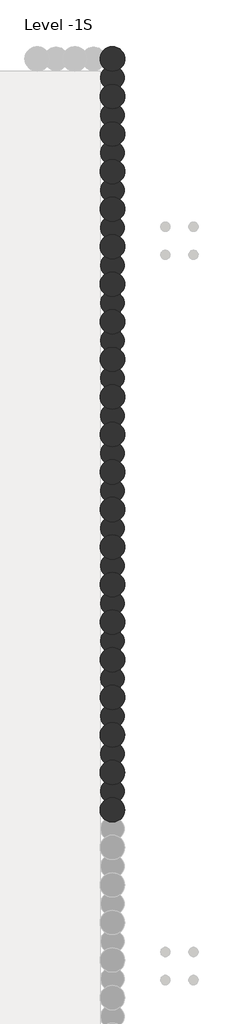
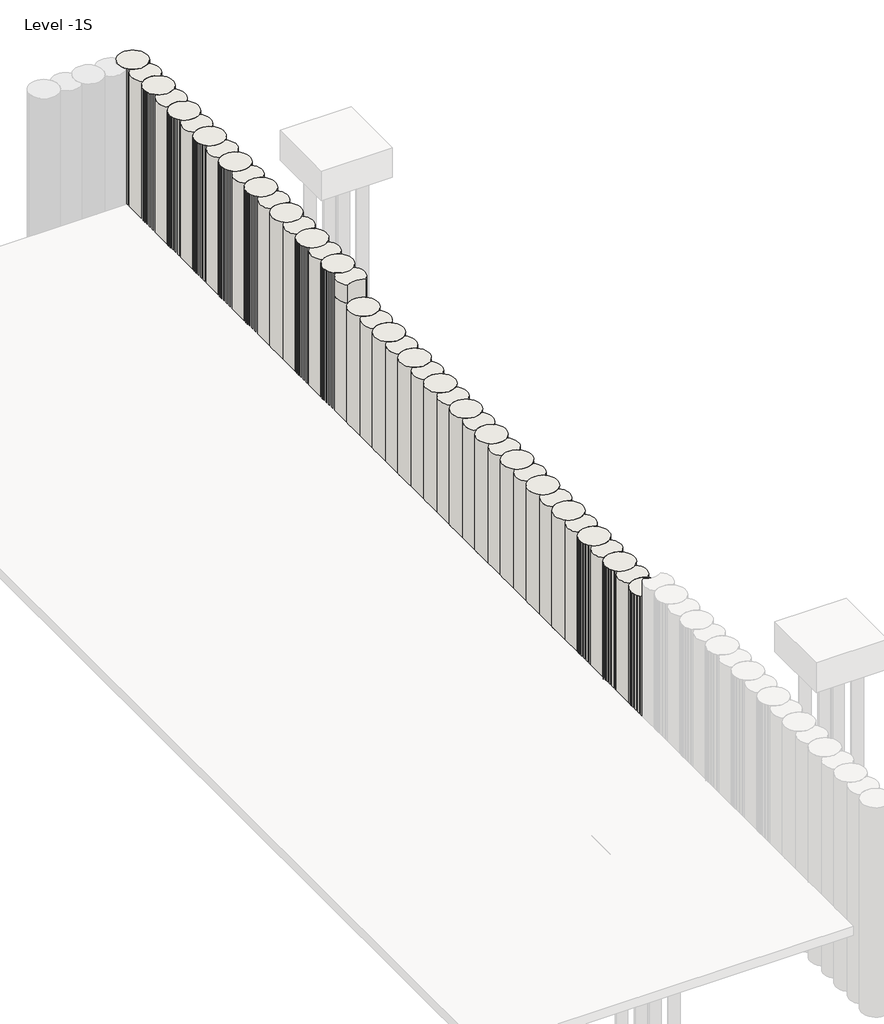
# One storey, part 3 of 5: 2 walls.
"""IFC4 building model written with IfcOpenShell, lengths in millimetres."""

from ifc_helpers import new_model, si_unit, point, frame, frame_2d, origin, place, context, project, spatial, circle_curve, trimmed, segment, composite_curve, outline, extrude, element, save

model = new_model("IFC4")

# Units and contexts
model_context = context("Model", 3, world=origin())
ifc_project = project(units=[si_unit("LENGTHUNIT", "METRE", prefix="MILLI")], contexts=[model_context])

# Site, building, storey
site = spatial("IfcSite", under=ifc_project)
building = spatial("IfcBuilding", under=site)
storey = spatial("IfcBuildingStorey", under=building, Name="Level -1S", Elevation=-5100.0)

# Walls
placement = place(None, origin())
element("IfcWall", 1, ObjectType="Walls 6 : Walls 2", at=placement, inside=storey, context=model_context, shape_type="SweptSolid", body=[
    extrude(outline(composite_curve([segment(trimmed(circle_curve(frame_2d((12610.42816, 28339.7751014)), 460.0), [point((12610.42816, 27879.7751014))], [point((12610.42816, 28799.7751014))], False, "CARTESIAN"), True, "CONTINUOUS"), segment(trimmed(circle_curve(frame_2d((12610.42816, 28339.7751014)), 460.0), [point((12610.42816, 28799.7751014))], [point((12610.42816, 27879.7751014))], False, "CARTESIAN"), True, "CONTINUOUS")], self_intersect=False)), frame((0.0, 0.0, -7600.0), z_axis=(0.0, 0.0, 1.0), x_axis=(1.0, 0.0, 0.0)), (0.0, 0.0, 1.0), 6300.0),
    extrude(outline(composite_curve([segment(trimmed(circle_curve(frame_2d((12610.42816, 29041.7751014)), 440.0), [point((12328.9416871, 28703.5956142))], [point((12328.9416871, 29379.9545885))], False, "CARTESIAN"), True, "CONTINUOUS"), segment(trimmed(circle_curve(frame_2d((12610.42816, 29743.7751014)), 460.0), [point((12328.9416871, 29379.9545885))], [point((12891.914633, 29379.9545885))], True, "CARTESIAN"), True, "CONTINUOUS"), segment(trimmed(circle_curve(frame_2d((12610.42816, 29041.7751014)), 440.0), [point((12891.914633, 29379.9545885))], [point((12891.914633, 28703.5956142))], False, "CARTESIAN"), True, "CONTINUOUS"), segment(trimmed(circle_curve(frame_2d((12610.42816, 28339.7751014)), 460.0), [point((12891.914633, 28703.5956142))], [point((12610.42816, 28799.7751014))], True, "CARTESIAN"), True, "CONTINUOUS"), segment(trimmed(circle_curve(frame_2d((12610.42816, 28339.7751014)), 460.0), [point((12610.42816, 28799.7751014))], [point((12328.9416871, 28703.5956142))], True, "CARTESIAN"), True, "CONTINUOUS")], self_intersect=False)), frame((0.0, 0.0, -7600.0), z_axis=(0.0, 0.0, 1.0), x_axis=(1.0, 0.0, 0.0)), (0.0, 0.0, 1.0), 6300.0),
    extrude(outline(composite_curve([segment(trimmed(circle_curve(frame_2d((12610.42816, 26935.7751014)), 460.0), [point((12610.42816, 26475.7751014))], [point((12610.42816, 27395.7751014))], False, "CARTESIAN"), True, "CONTINUOUS"), segment(trimmed(circle_curve(frame_2d((12610.42816, 26935.7751014)), 460.0), [point((12610.42816, 27395.7751014))], [point((12610.42816, 26475.7751014))], False, "CARTESIAN"), True, "CONTINUOUS")], self_intersect=False)), frame((0.0, 0.0, -7600.0), z_axis=(0.0, 0.0, 1.0), x_axis=(1.0, 0.0, 0.0)), (0.0, 0.0, 1.0), 6300.0),
    extrude(outline(composite_curve([segment(trimmed(circle_curve(frame_2d((12610.42816, 27637.7751014)), 440.0), [point((12328.9416871, 27299.5956142))], [point((12328.9416871, 27975.9545885))], False, "CARTESIAN"), True, "CONTINUOUS"), segment(trimmed(circle_curve(frame_2d((12610.42816, 28339.7751014)), 460.0), [point((12328.9416871, 27975.9545885))], [point((12891.914633, 27975.9545885))], True, "CARTESIAN"), True, "CONTINUOUS"), segment(trimmed(circle_curve(frame_2d((12610.42816, 27637.7751014)), 440.0), [point((12891.914633, 27975.9545885))], [point((12891.914633, 27299.5956142))], False, "CARTESIAN"), True, "CONTINUOUS"), segment(trimmed(circle_curve(frame_2d((12610.42816, 26935.7751014)), 460.0), [point((12891.914633, 27299.5956142))], [point((12610.42816, 27395.7751014))], True, "CARTESIAN"), True, "CONTINUOUS"), segment(trimmed(circle_curve(frame_2d((12610.42816, 26935.7751014)), 460.0), [point((12610.42816, 27395.7751014))], [point((12328.9416871, 27299.5956142))], True, "CARTESIAN"), True, "CONTINUOUS")], self_intersect=False)), frame((0.0, 0.0, -7600.0), z_axis=(0.0, 0.0, 1.0), x_axis=(1.0, 0.0, 0.0)), (0.0, 0.0, 1.0), 6300.0),
    extrude(outline(composite_curve([segment(trimmed(circle_curve(frame_2d((12610.42816, 25531.7751014)), 460.0), [point((12610.42816, 25071.7751014))], [point((12610.42816, 25991.7751014))], False, "CARTESIAN"), True, "CONTINUOUS"), segment(trimmed(circle_curve(frame_2d((12610.42816, 25531.7751014)), 460.0), [point((12610.42816, 25991.7751014))], [point((12610.42816, 25071.7751014))], False, "CARTESIAN"), True, "CONTINUOUS")], self_intersect=False)), frame((0.0, 0.0, -7600.0), z_axis=(0.0, 0.0, 1.0), x_axis=(1.0, 0.0, 0.0)), (0.0, 0.0, 1.0), 6300.0),
    extrude(outline(composite_curve([segment(trimmed(circle_curve(frame_2d((12610.42816, 26233.7751014)), 440.0), [point((12328.9416871, 25895.5956142))], [point((12328.9416871, 26571.9545885))], False, "CARTESIAN"), True, "CONTINUOUS"), segment(trimmed(circle_curve(frame_2d((12610.42816, 26935.7751014)), 460.0), [point((12328.9416871, 26571.9545885))], [point((12891.914633, 26571.9545885))], True, "CARTESIAN"), True, "CONTINUOUS"), segment(trimmed(circle_curve(frame_2d((12610.42816, 26233.7751014)), 440.0), [point((12891.914633, 26571.9545885))], [point((12891.914633, 25895.5956142))], False, "CARTESIAN"), True, "CONTINUOUS"), segment(trimmed(circle_curve(frame_2d((12610.42816, 25531.7751014)), 460.0), [point((12891.914633, 25895.5956142))], [point((12610.42816, 25991.7751014))], True, "CARTESIAN"), True, "CONTINUOUS"), segment(trimmed(circle_curve(frame_2d((12610.42816, 25531.7751014)), 460.0), [point((12610.42816, 25991.7751014))], [point((12328.9416871, 25895.5956142))], True, "CARTESIAN"), True, "CONTINUOUS")], self_intersect=False)), frame((0.0, 0.0, -7600.0), z_axis=(0.0, 0.0, 1.0), x_axis=(1.0, 0.0, 0.0)), (0.0, 0.0, 1.0), 6300.0),
    extrude(outline(composite_curve([segment(trimmed(circle_curve(frame_2d((12610.42816, 24127.7751014)), 460.0), [point((12610.42816, 23667.7751014))], [point((12610.42816, 24587.7751014))], False, "CARTESIAN"), True, "CONTINUOUS"), segment(trimmed(circle_curve(frame_2d((12610.42816, 24127.7751014)), 460.0), [point((12610.42816, 24587.7751014))], [point((12610.42816, 23667.7751014))], False, "CARTESIAN"), True, "CONTINUOUS")], self_intersect=False)), frame((0.0, 0.0, -7600.0), z_axis=(0.0, 0.0, 1.0), x_axis=(1.0, 0.0, 0.0)), (0.0, 0.0, 1.0), 6300.0),
    extrude(outline(composite_curve([segment(trimmed(circle_curve(frame_2d((12610.42816, 24829.7751014)), 440.0), [point((12328.9416871, 24491.5956142))], [point((12328.9416871, 25167.9545885))], False, "CARTESIAN"), True, "CONTINUOUS"), segment(trimmed(circle_curve(frame_2d((12610.42816, 25531.7751014)), 460.0), [point((12328.9416871, 25167.9545885))], [point((12891.914633, 25167.9545885))], True, "CARTESIAN"), True, "CONTINUOUS"), segment(trimmed(circle_curve(frame_2d((12610.42816, 24829.7751014)), 440.0), [point((12891.914633, 25167.9545885))], [point((12891.914633, 24491.5956142))], False, "CARTESIAN"), True, "CONTINUOUS"), segment(trimmed(circle_curve(frame_2d((12610.42816, 24127.7751014)), 460.0), [point((12891.914633, 24491.5956142))], [point((12610.42816, 24587.7751014))], True, "CARTESIAN"), True, "CONTINUOUS"), segment(trimmed(circle_curve(frame_2d((12610.42816, 24127.7751014)), 460.0), [point((12610.42816, 24587.7751014))], [point((12328.9416871, 24491.5956142))], True, "CARTESIAN"), True, "CONTINUOUS")], self_intersect=False)), frame((0.0, 0.0, -7600.0), z_axis=(0.0, 0.0, 1.0), x_axis=(1.0, 0.0, 0.0)), (0.0, 0.0, 1.0), 6300.0),
    extrude(outline(composite_curve([segment(trimmed(circle_curve(frame_2d((12610.42816, 22723.7751014)), 460.0), [point((12610.42816, 22263.7751014))], [point((12610.42816, 23183.7751014))], False, "CARTESIAN"), True, "CONTINUOUS"), segment(trimmed(circle_curve(frame_2d((12610.42816, 22723.7751014)), 460.0), [point((12610.42816, 23183.7751014))], [point((12610.42816, 22263.7751014))], False, "CARTESIAN"), True, "CONTINUOUS")], self_intersect=False)), frame((0.0, 0.0, -7600.0), z_axis=(0.0, 0.0, 1.0), x_axis=(1.0, 0.0, 0.0)), (0.0, 0.0, 1.0), 6300.0),
    extrude(outline(composite_curve([segment(trimmed(circle_curve(frame_2d((12610.42816, 23425.7751014)), 440.0), [point((12328.9416871, 23087.5956142))], [point((12328.9416871, 23763.9545885))], False, "CARTESIAN"), True, "CONTINUOUS"), segment(trimmed(circle_curve(frame_2d((12610.42816, 24127.7751014)), 460.0), [point((12328.9416871, 23763.9545885))], [point((12891.914633, 23763.9545885))], True, "CARTESIAN"), True, "CONTINUOUS"), segment(trimmed(circle_curve(frame_2d((12610.42816, 23425.7751014)), 440.0), [point((12891.914633, 23763.9545885))], [point((12891.914633, 23087.5956142))], False, "CARTESIAN"), True, "CONTINUOUS"), segment(trimmed(circle_curve(frame_2d((12610.42816, 22723.7751014)), 460.0), [point((12891.914633, 23087.5956142))], [point((12610.42816, 23183.7751014))], True, "CARTESIAN"), True, "CONTINUOUS"), segment(trimmed(circle_curve(frame_2d((12610.42816, 22723.7751014)), 460.0), [point((12610.42816, 23183.7751014))], [point((12328.9416871, 23087.5956142))], True, "CARTESIAN"), True, "CONTINUOUS")], self_intersect=False)), frame((0.0, 0.0, -7600.0), z_axis=(0.0, 0.0, 1.0), x_axis=(1.0, 0.0, 0.0)), (0.0, 0.0, 1.0), 6300.0),
    extrude(outline(composite_curve([segment(trimmed(circle_curve(frame_2d((12610.42816, 21319.7751014)), 460.0), [point((12610.42816, 20859.7751014))], [point((12610.42816, 21779.7751014))], False, "CARTESIAN"), True, "CONTINUOUS"), segment(trimmed(circle_curve(frame_2d((12610.42816, 21319.7751014)), 460.0), [point((12610.42816, 21779.7751014))], [point((12610.42816, 20859.7751014))], False, "CARTESIAN"), True, "CONTINUOUS")], self_intersect=False)), frame((0.0, 0.0, -7600.0), z_axis=(0.0, 0.0, 1.0), x_axis=(1.0, 0.0, 0.0)), (0.0, 0.0, 1.0), 6300.0),
    extrude(outline(composite_curve([segment(trimmed(circle_curve(frame_2d((12610.42816, 22021.7751014)), 440.0), [point((12328.9416871, 21683.5956142))], [point((12328.9416871, 22359.9545885))], False, "CARTESIAN"), True, "CONTINUOUS"), segment(trimmed(circle_curve(frame_2d((12610.42816, 22723.7751014)), 460.0), [point((12328.9416871, 22359.9545885))], [point((12891.914633, 22359.9545885))], True, "CARTESIAN"), True, "CONTINUOUS"), segment(trimmed(circle_curve(frame_2d((12610.42816, 22021.7751014)), 440.0), [point((12891.914633, 22359.9545885))], [point((12891.914633, 21683.5956142))], False, "CARTESIAN"), True, "CONTINUOUS"), segment(trimmed(circle_curve(frame_2d((12610.42816, 21319.7751014)), 460.0), [point((12891.914633, 21683.5956142))], [point((12610.42816, 21779.7751014))], True, "CARTESIAN"), True, "CONTINUOUS"), segment(trimmed(circle_curve(frame_2d((12610.42816, 21319.7751014)), 460.0), [point((12610.42816, 21779.7751014))], [point((12328.9416871, 21683.5956142))], True, "CARTESIAN"), True, "CONTINUOUS")], self_intersect=False)), frame((0.0, 0.0, -7600.0), z_axis=(0.0, 0.0, 1.0), x_axis=(1.0, 0.0, 0.0)), (0.0, 0.0, 1.0), 6300.0),
    extrude(outline(composite_curve([segment(trimmed(circle_curve(frame_2d((12610.42816, 19915.7751014)), 460.0), [point((12610.42816, 19455.7751014))], [point((12610.42816, 20375.7751014))], False, "CARTESIAN"), True, "CONTINUOUS"), segment(trimmed(circle_curve(frame_2d((12610.42816, 19915.7751014)), 460.0), [point((12610.42816, 20375.7751014))], [point((12610.42816, 19455.7751014))], False, "CARTESIAN"), True, "CONTINUOUS")], self_intersect=False)), frame((0.0, 0.0, -7600.0), z_axis=(0.0, 0.0, 1.0), x_axis=(1.0, 0.0, 0.0)), (0.0, 0.0, 1.0), 6300.0),
    extrude(outline(composite_curve([segment(trimmed(circle_curve(frame_2d((12610.42816, 20617.7751014)), 440.0), [point((12328.9416871, 20279.5956142))], [point((12328.9416871, 20955.9545885))], False, "CARTESIAN"), True, "CONTINUOUS"), segment(trimmed(circle_curve(frame_2d((12610.42816, 21319.7751014)), 460.0), [point((12328.9416871, 20955.9545885))], [point((12891.914633, 20955.9545885))], True, "CARTESIAN"), True, "CONTINUOUS"), segment(trimmed(circle_curve(frame_2d((12610.42816, 20617.7751014)), 440.0), [point((12891.914633, 20955.9545885))], [point((12891.914633, 20279.5956142))], False, "CARTESIAN"), True, "CONTINUOUS"), segment(trimmed(circle_curve(frame_2d((12610.42816, 19915.7751014)), 460.0), [point((12891.914633, 20279.5956142))], [point((12610.42816, 20375.7751014))], True, "CARTESIAN"), True, "CONTINUOUS"), segment(trimmed(circle_curve(frame_2d((12610.42816, 19915.7751014)), 460.0), [point((12610.42816, 20375.7751014))], [point((12328.9416871, 20279.5956142))], True, "CARTESIAN"), True, "CONTINUOUS")], self_intersect=False)), frame((0.0, 0.0, -7600.0), z_axis=(0.0, 0.0, 1.0), x_axis=(1.0, 0.0, 0.0)), (0.0, 0.0, 1.0), 6300.0),
    extrude(outline(composite_curve([segment(trimmed(circle_curve(frame_2d((12610.42816, 18511.7751014)), 460.0), [point((12610.42816, 18051.7751014))], [point((12610.42816, 18971.7751014))], False, "CARTESIAN"), True, "CONTINUOUS"), segment(trimmed(circle_curve(frame_2d((12610.42816, 18511.7751014)), 460.0), [point((12610.42816, 18971.7751014))], [point((12610.42816, 18051.7751014))], False, "CARTESIAN"), True, "CONTINUOUS")], self_intersect=False)), frame((0.0, 0.0, -7600.0), z_axis=(0.0, 0.0, 1.0), x_axis=(1.0, 0.0, 0.0)), (0.0, 0.0, 1.0), 6300.0),
    extrude(outline(composite_curve([segment(trimmed(circle_curve(frame_2d((12610.42816, 19213.7751014)), 440.0), [point((12328.9416871, 18875.5956142))], [point((12328.9416871, 19551.9545885))], False, "CARTESIAN"), True, "CONTINUOUS"), segment(trimmed(circle_curve(frame_2d((12610.42816, 19915.7751014)), 460.0), [point((12328.9416871, 19551.9545885))], [point((12891.914633, 19551.9545885))], True, "CARTESIAN"), True, "CONTINUOUS"), segment(trimmed(circle_curve(frame_2d((12610.42816, 19213.7751014)), 440.0), [point((12891.914633, 19551.9545885))], [point((12891.914633, 18875.5956142))], False, "CARTESIAN"), True, "CONTINUOUS"), segment(trimmed(circle_curve(frame_2d((12610.42816, 18511.7751014)), 460.0), [point((12891.914633, 18875.5956142))], [point((12610.42816, 18971.7751014))], True, "CARTESIAN"), True, "CONTINUOUS"), segment(trimmed(circle_curve(frame_2d((12610.42816, 18511.7751014)), 460.0), [point((12610.42816, 18971.7751014))], [point((12328.9416871, 18875.5956142))], True, "CARTESIAN"), True, "CONTINUOUS")], self_intersect=False)), frame((0.0, 0.0, -7600.0), z_axis=(0.0, 0.0, 1.0), x_axis=(1.0, 0.0, 0.0)), (0.0, 0.0, 1.0), 6300.0),
    extrude(outline(composite_curve([segment(trimmed(circle_curve(frame_2d((12610.42816, 17107.7751014)), 460.0), [point((12610.42816, 16647.7751014))], [point((12610.42816, 17567.7751014))], False, "CARTESIAN"), True, "CONTINUOUS"), segment(trimmed(circle_curve(frame_2d((12610.42816, 17107.7751014)), 460.0), [point((12610.42816, 17567.7751014))], [point((12610.42816, 16647.7751014))], False, "CARTESIAN"), True, "CONTINUOUS")], self_intersect=False)), frame((0.0, 0.0, -7600.0), z_axis=(0.0, 0.0, 1.0), x_axis=(1.0, 0.0, 0.0)), (0.0, 0.0, 1.0), 6300.0),
    extrude(outline(composite_curve([segment(trimmed(circle_curve(frame_2d((12610.42816, 17809.7751014)), 440.0), [point((12328.9416871, 17471.5956142))], [point((12328.9416871, 18147.9545885))], False, "CARTESIAN"), True, "CONTINUOUS"), segment(trimmed(circle_curve(frame_2d((12610.42816, 18511.7751014)), 460.0), [point((12328.9416871, 18147.9545885))], [point((12891.914633, 18147.9545885))], True, "CARTESIAN"), True, "CONTINUOUS"), segment(trimmed(circle_curve(frame_2d((12610.42816, 17809.7751014)), 440.0), [point((12891.914633, 18147.9545885))], [point((12891.914633, 17471.5956142))], False, "CARTESIAN"), True, "CONTINUOUS"), segment(trimmed(circle_curve(frame_2d((12610.42816, 17107.7751014)), 460.0), [point((12891.914633, 17471.5956142))], [point((12610.42816, 17567.7751014))], True, "CARTESIAN"), True, "CONTINUOUS"), segment(trimmed(circle_curve(frame_2d((12610.42816, 17107.7751014)), 460.0), [point((12610.42816, 17567.7751014))], [point((12328.9416871, 17471.5956142))], True, "CARTESIAN"), True, "CONTINUOUS")], self_intersect=False)), frame((0.0, 0.0, -7600.0), z_axis=(0.0, 0.0, 1.0), x_axis=(1.0, 0.0, 0.0)), (0.0, 0.0, 1.0), 6300.0),
    extrude(outline(composite_curve([segment(trimmed(circle_curve(frame_2d((12610.42816, 15703.7751014)), 460.0), [point((12610.42816, 15243.7751014))], [point((12610.42816, 16163.7751014))], False, "CARTESIAN"), True, "CONTINUOUS"), segment(trimmed(circle_curve(frame_2d((12610.42816, 15703.7751014)), 460.0), [point((12610.42816, 16163.7751014))], [point((12610.42816, 15243.7751014))], False, "CARTESIAN"), True, "CONTINUOUS")], self_intersect=False)), frame((0.0, 0.0, -7600.0), z_axis=(0.0, 0.0, 1.0), x_axis=(1.0, 0.0, 0.0)), (0.0, 0.0, 1.0), 6300.0),
    extrude(outline(composite_curve([segment(trimmed(circle_curve(frame_2d((12610.42816, 16405.7751014)), 440.0), [point((12328.9416871, 16067.5956142))], [point((12328.9416871, 16743.9545885))], False, "CARTESIAN"), True, "CONTINUOUS"), segment(trimmed(circle_curve(frame_2d((12610.42816, 17107.7751014)), 460.0), [point((12328.9416871, 16743.9545885))], [point((12891.914633, 16743.9545885))], True, "CARTESIAN"), True, "CONTINUOUS"), segment(trimmed(circle_curve(frame_2d((12610.42816, 16405.7751014)), 440.0), [point((12891.914633, 16743.9545885))], [point((12891.914633, 16067.5956142))], False, "CARTESIAN"), True, "CONTINUOUS"), segment(trimmed(circle_curve(frame_2d((12610.42816, 15703.7751014)), 460.0), [point((12891.914633, 16067.5956142))], [point((12610.42816, 16163.7751014))], True, "CARTESIAN"), True, "CONTINUOUS"), segment(trimmed(circle_curve(frame_2d((12610.42816, 15703.7751014)), 460.0), [point((12610.42816, 16163.7751014))], [point((12328.9416871, 16067.5956142))], True, "CARTESIAN"), True, "CONTINUOUS")], self_intersect=False)), frame((0.0, 0.0, -7600.0), z_axis=(0.0, 0.0, 1.0), x_axis=(1.0, 0.0, 0.0)), (0.0, 0.0, 1.0), 6300.0),
    extrude(outline(composite_curve([segment(trimmed(circle_curve(frame_2d((12610.42816, 14299.7751014)), 460.0), [point((12610.42816, 13839.7751014))], [point((12610.42816, 14759.7751014))], False, "CARTESIAN"), True, "CONTINUOUS"), segment(trimmed(circle_curve(frame_2d((12610.42816, 14299.7751014)), 460.0), [point((12610.42816, 14759.7751014))], [point((12610.42816, 13839.7751014))], False, "CARTESIAN"), True, "CONTINUOUS")], self_intersect=False)), frame((0.0, 0.0, -7600.0), z_axis=(0.0, 0.0, 1.0), x_axis=(1.0, 0.0, 0.0)), (0.0, 0.0, 1.0), 6300.0),
    extrude(outline(composite_curve([segment(trimmed(circle_curve(frame_2d((12610.42816, 15001.7751014)), 440.0), [point((12328.9416871, 14663.5956142))], [point((12328.9416871, 15339.9545885))], False, "CARTESIAN"), True, "CONTINUOUS"), segment(trimmed(circle_curve(frame_2d((12610.42816, 15703.7751014)), 460.0), [point((12328.9416871, 15339.9545885))], [point((12891.914633, 15339.9545885))], True, "CARTESIAN"), True, "CONTINUOUS"), segment(trimmed(circle_curve(frame_2d((12610.42816, 15001.7751014)), 440.0), [point((12891.914633, 15339.9545885))], [point((12891.914633, 14663.5956142))], False, "CARTESIAN"), True, "CONTINUOUS"), segment(trimmed(circle_curve(frame_2d((12610.42816, 14299.7751014)), 460.0), [point((12891.914633, 14663.5956142))], [point((12610.42816, 14759.7751014))], True, "CARTESIAN"), True, "CONTINUOUS"), segment(trimmed(circle_curve(frame_2d((12610.42816, 14299.7751014)), 460.0), [point((12610.42816, 14759.7751014))], [point((12328.9416871, 14663.5956142))], True, "CARTESIAN"), True, "CONTINUOUS")], self_intersect=False)), frame((0.0, 0.0, -7600.0), z_axis=(0.0, 0.0, 1.0), x_axis=(1.0, 0.0, 0.0)), (0.0, 0.0, 1.0), 6300.0),
    extrude(outline(composite_curve([segment(trimmed(circle_curve(frame_2d((12610.42816, 12895.7751014)), 460.0), [point((12610.42816, 12435.7751014))], [point((12610.42816, 13355.7751014))], False, "CARTESIAN"), True, "CONTINUOUS"), segment(trimmed(circle_curve(frame_2d((12610.42816, 12895.7751014)), 460.0), [point((12610.42816, 13355.7751014))], [point((12610.42816, 12435.7751014))], False, "CARTESIAN"), True, "CONTINUOUS")], self_intersect=False)), frame((0.0, 0.0, -7600.0), z_axis=(0.0, 0.0, 1.0), x_axis=(1.0, 0.0, 0.0)), (0.0, 0.0, 1.0), 6300.0),
    extrude(outline(composite_curve([segment(trimmed(circle_curve(frame_2d((12610.42816, 13597.7751014)), 440.0), [point((12328.9416871, 13259.5956142))], [point((12328.9416871, 13935.9545885))], False, "CARTESIAN"), True, "CONTINUOUS"), segment(trimmed(circle_curve(frame_2d((12610.42816, 14299.7751014)), 460.0), [point((12328.9416871, 13935.9545885))], [point((12891.914633, 13935.9545885))], True, "CARTESIAN"), True, "CONTINUOUS"), segment(trimmed(circle_curve(frame_2d((12610.42816, 13597.7751014)), 440.0), [point((12891.914633, 13935.9545885))], [point((12891.914633, 13259.5956142))], False, "CARTESIAN"), True, "CONTINUOUS"), segment(trimmed(circle_curve(frame_2d((12610.42816, 12895.7751014)), 460.0), [point((12891.914633, 13259.5956142))], [point((12610.42816, 13355.7751014))], True, "CARTESIAN"), True, "CONTINUOUS"), segment(trimmed(circle_curve(frame_2d((12610.42816, 12895.7751014)), 460.0), [point((12610.42816, 13355.7751014))], [point((12328.9416871, 13259.5956142))], True, "CARTESIAN"), True, "CONTINUOUS")], self_intersect=False)), frame((0.0, 0.0, -7600.0), z_axis=(0.0, 0.0, 1.0), x_axis=(1.0, 0.0, 0.0)), (0.0, 0.0, 1.0), 6300.0),
])
element("IfcWall", 2, ObjectType="Walls 7 : Walls 3", at=placement, inside=storey, context=model_context, shape_type="SweptSolid", body=[
    extrude(outline(composite_curve([segment(trimmed(circle_curve(frame_2d((12610.42816, 40975.7751014)), 460.0), [point((12610.42816, 41435.7751014))], [point((12610.42816, 40515.7751014))], False, "CARTESIAN"), True, "CONTINUOUS"), segment(trimmed(circle_curve(frame_2d((12610.42816, 40975.7751014)), 460.0), [point((12610.42816, 40515.7751014))], [point((12610.42816, 41435.7751014))], False, "CARTESIAN"), True, "CONTINUOUS")], self_intersect=False)), frame((0.0, 0.0, -7700.0), z_axis=(0.0, 0.0, 1.0), x_axis=(1.0, 0.0, 0.0)), (0.0, 0.0, 1.0), 7000.0),
    extrude(outline(composite_curve([segment(trimmed(circle_curve(frame_2d((12610.42816, 40273.7751014)), 440.0), [point((12891.914633, 40611.9545885))], [point((12891.914633, 39935.5956142))], False, "CARTESIAN"), True, "CONTINUOUS"), segment(trimmed(circle_curve(frame_2d((12610.42816, 39571.7751014)), 460.0), [point((12891.914633, 39935.5956142))], [point((12328.9416871, 39935.5956142))], True, "CARTESIAN"), True, "CONTINUOUS"), segment(trimmed(circle_curve(frame_2d((12610.42816, 40273.7751014)), 440.0), [point((12328.9416871, 39935.5956142))], [point((12328.9416871, 40611.9545885))], False, "CARTESIAN"), True, "CONTINUOUS"), segment(trimmed(circle_curve(frame_2d((12610.42816, 40975.7751014)), 460.0), [point((12328.9416871, 40611.9545885))], [point((12610.42816, 40515.7751014))], True, "CARTESIAN"), True, "CONTINUOUS"), segment(trimmed(circle_curve(frame_2d((12610.42816, 40975.7751014)), 460.0), [point((12610.42816, 40515.7751014))], [point((12891.914633, 40611.9545885))], True, "CARTESIAN"), True, "CONTINUOUS")], self_intersect=False)), frame((0.0, 0.0, -7700.0), z_axis=(0.0, 0.0, 1.0), x_axis=(1.0, 0.0, 0.0)), (0.0, 0.0, 1.0), 7000.0),
    extrude(outline(composite_curve([segment(trimmed(circle_curve(frame_2d((12610.42816, 39571.7751014)), 460.0), [point((12610.42816, 40031.7751014))], [point((12610.42816, 39111.7751014))], False, "CARTESIAN"), True, "CONTINUOUS"), segment(trimmed(circle_curve(frame_2d((12610.42816, 39571.7751014)), 460.0), [point((12610.42816, 39111.7751014))], [point((12610.42816, 40031.7751014))], False, "CARTESIAN"), True, "CONTINUOUS")], self_intersect=False)), frame((0.0, 0.0, -7700.0), z_axis=(0.0, 0.0, 1.0), x_axis=(1.0, 0.0, 0.0)), (0.0, 0.0, 1.0), 7000.0),
    extrude(outline(composite_curve([segment(trimmed(circle_curve(frame_2d((12610.42816, 38869.7751014)), 440.0), [point((12891.914633, 39207.9545885))], [point((12891.914633, 38531.5956142))], False, "CARTESIAN"), True, "CONTINUOUS"), segment(trimmed(circle_curve(frame_2d((12610.42816, 38167.7751014)), 460.0), [point((12891.914633, 38531.5956142))], [point((12328.9416871, 38531.5956142))], True, "CARTESIAN"), True, "CONTINUOUS"), segment(trimmed(circle_curve(frame_2d((12610.42816, 38869.7751014)), 440.0), [point((12328.9416871, 38531.5956142))], [point((12328.9416871, 39207.9545885))], False, "CARTESIAN"), True, "CONTINUOUS"), segment(trimmed(circle_curve(frame_2d((12610.42816, 39571.7751014)), 460.0), [point((12328.9416871, 39207.9545885))], [point((12610.42816, 39111.7751014))], True, "CARTESIAN"), True, "CONTINUOUS"), segment(trimmed(circle_curve(frame_2d((12610.42816, 39571.7751014)), 460.0), [point((12610.42816, 39111.7751014))], [point((12891.914633, 39207.9545885))], True, "CARTESIAN"), True, "CONTINUOUS")], self_intersect=False)), frame((0.0, 0.0, -7700.0), z_axis=(0.0, 0.0, 1.0), x_axis=(1.0, 0.0, 0.0)), (0.0, 0.0, 1.0), 7000.0),
    extrude(outline(composite_curve([segment(trimmed(circle_curve(frame_2d((12610.42816, 38167.7751014)), 460.0), [point((12610.42816, 38627.7751014))], [point((12610.42816, 37707.7751014))], False, "CARTESIAN"), True, "CONTINUOUS"), segment(trimmed(circle_curve(frame_2d((12610.42816, 38167.7751014)), 460.0), [point((12610.42816, 37707.7751014))], [point((12610.42816, 38627.7751014))], False, "CARTESIAN"), True, "CONTINUOUS")], self_intersect=False)), frame((0.0, 0.0, -7700.0), z_axis=(0.0, 0.0, 1.0), x_axis=(1.0, 0.0, 0.0)), (0.0, 0.0, 1.0), 7000.0),
    extrude(outline(composite_curve([segment(trimmed(circle_curve(frame_2d((12610.42816, 37465.7751014)), 440.0), [point((12891.914633, 37803.9545885))], [point((12891.914633, 37127.5956142))], False, "CARTESIAN"), True, "CONTINUOUS"), segment(trimmed(circle_curve(frame_2d((12610.42816, 36763.7751014)), 460.0), [point((12891.914633, 37127.5956142))], [point((12328.9416871, 37127.5956142))], True, "CARTESIAN"), True, "CONTINUOUS"), segment(trimmed(circle_curve(frame_2d((12610.42816, 37465.7751014)), 440.0), [point((12328.9416871, 37127.5956142))], [point((12328.9416871, 37803.9545885))], False, "CARTESIAN"), True, "CONTINUOUS"), segment(trimmed(circle_curve(frame_2d((12610.42816, 38167.7751014)), 460.0), [point((12328.9416871, 37803.9545885))], [point((12610.42816, 37707.7751014))], True, "CARTESIAN"), True, "CONTINUOUS"), segment(trimmed(circle_curve(frame_2d((12610.42816, 38167.7751014)), 460.0), [point((12610.42816, 37707.7751014))], [point((12891.914633, 37803.9545885))], True, "CARTESIAN"), True, "CONTINUOUS")], self_intersect=False)), frame((0.0, 0.0, -7700.0), z_axis=(0.0, 0.0, 1.0), x_axis=(1.0, 0.0, 0.0)), (0.0, 0.0, 1.0), 7000.0),
    extrude(outline(composite_curve([segment(trimmed(circle_curve(frame_2d((12610.42816, 36763.7751014)), 460.0), [point((12610.42816, 37223.7751014))], [point((12610.42816, 36303.7751014))], False, "CARTESIAN"), True, "CONTINUOUS"), segment(trimmed(circle_curve(frame_2d((12610.42816, 36763.7751014)), 460.0), [point((12610.42816, 36303.7751014))], [point((12610.42816, 37223.7751014))], False, "CARTESIAN"), True, "CONTINUOUS")], self_intersect=False)), frame((0.0, 0.0, -7700.0), z_axis=(0.0, 0.0, 1.0), x_axis=(1.0, 0.0, 0.0)), (0.0, 0.0, 1.0), 7000.0),
    extrude(outline(composite_curve([segment(trimmed(circle_curve(frame_2d((12610.42816, 36061.7751014)), 440.0), [point((12891.914633, 36399.9545885))], [point((12891.914633, 35723.5956142))], False, "CARTESIAN"), True, "CONTINUOUS"), segment(trimmed(circle_curve(frame_2d((12610.42816, 35359.7751014)), 460.0), [point((12891.914633, 35723.5956142))], [point((12328.9416871, 35723.5956142))], True, "CARTESIAN"), True, "CONTINUOUS"), segment(trimmed(circle_curve(frame_2d((12610.42816, 36061.7751014)), 440.0), [point((12328.9416871, 35723.5956142))], [point((12328.9416871, 36399.9545885))], False, "CARTESIAN"), True, "CONTINUOUS"), segment(trimmed(circle_curve(frame_2d((12610.42816, 36763.7751014)), 460.0), [point((12328.9416871, 36399.9545885))], [point((12610.42816, 36303.7751014))], True, "CARTESIAN"), True, "CONTINUOUS"), segment(trimmed(circle_curve(frame_2d((12610.42816, 36763.7751014)), 460.0), [point((12610.42816, 36303.7751014))], [point((12891.914633, 36399.9545885))], True, "CARTESIAN"), True, "CONTINUOUS")], self_intersect=False)), frame((0.0, 0.0, -7700.0), z_axis=(0.0, 0.0, 1.0), x_axis=(1.0, 0.0, 0.0)), (0.0, 0.0, 1.0), 7000.0),
    extrude(outline(composite_curve([segment(trimmed(circle_curve(frame_2d((12610.42816, 35359.7751014)), 460.0), [point((12610.42816, 35819.7751014))], [point((12610.42816, 34899.7751014))], False, "CARTESIAN"), True, "CONTINUOUS"), segment(trimmed(circle_curve(frame_2d((12610.42816, 35359.7751014)), 460.0), [point((12610.42816, 34899.7751014))], [point((12610.42816, 35819.7751014))], False, "CARTESIAN"), True, "CONTINUOUS")], self_intersect=False)), frame((0.0, 0.0, -7700.0), z_axis=(0.0, 0.0, 1.0), x_axis=(1.0, 0.0, 0.0)), (0.0, 0.0, 1.0), 7000.0),
    extrude(outline(composite_curve([segment(trimmed(circle_curve(frame_2d((12610.42816, 34657.7751014)), 440.0), [point((12891.914633, 34995.9545885))], [point((12891.914633, 34319.5956142))], False, "CARTESIAN"), True, "CONTINUOUS"), segment(trimmed(circle_curve(frame_2d((12610.42816, 33955.7751014)), 460.0), [point((12891.914633, 34319.5956142))], [point((12328.9416871, 34319.5956142))], True, "CARTESIAN"), True, "CONTINUOUS"), segment(trimmed(circle_curve(frame_2d((12610.42816, 34657.7751014)), 440.0), [point((12328.9416871, 34319.5956142))], [point((12328.9416871, 34995.9545885))], False, "CARTESIAN"), True, "CONTINUOUS"), segment(trimmed(circle_curve(frame_2d((12610.42816, 35359.7751014)), 460.0), [point((12328.9416871, 34995.9545885))], [point((12610.42816, 34899.7751014))], True, "CARTESIAN"), True, "CONTINUOUS"), segment(trimmed(circle_curve(frame_2d((12610.42816, 35359.7751014)), 460.0), [point((12610.42816, 34899.7751014))], [point((12891.914633, 34995.9545885))], True, "CARTESIAN"), True, "CONTINUOUS")], self_intersect=False)), frame((0.0, 0.0, -7700.0), z_axis=(0.0, 0.0, 1.0), x_axis=(1.0, 0.0, 0.0)), (0.0, 0.0, 1.0), 7000.0),
    extrude(outline(composite_curve([segment(trimmed(circle_curve(frame_2d((12610.42816, 33955.7751014)), 460.0), [point((12610.42816, 34415.7751014))], [point((12610.42816, 33495.7751014))], False, "CARTESIAN"), True, "CONTINUOUS"), segment(trimmed(circle_curve(frame_2d((12610.42816, 33955.7751014)), 460.0), [point((12610.42816, 33495.7751014))], [point((12610.42816, 34415.7751014))], False, "CARTESIAN"), True, "CONTINUOUS")], self_intersect=False)), frame((0.0, 0.0, -7700.0), z_axis=(0.0, 0.0, 1.0), x_axis=(1.0, 0.0, 0.0)), (0.0, 0.0, 1.0), 7000.0),
    extrude(outline(composite_curve([segment(trimmed(circle_curve(frame_2d((12610.42816, 33253.7751014)), 440.0), [point((12891.914633, 33591.9545885))], [point((12891.914633, 32915.5956142))], False, "CARTESIAN"), True, "CONTINUOUS"), segment(trimmed(circle_curve(frame_2d((12610.42816, 32551.7751014)), 460.0), [point((12891.914633, 32915.5956142))], [point((12328.9416871, 32915.5956142))], True, "CARTESIAN"), True, "CONTINUOUS"), segment(trimmed(circle_curve(frame_2d((12610.42816, 33253.7751014)), 440.0), [point((12328.9416871, 32915.5956142))], [point((12328.9416871, 33591.9545885))], False, "CARTESIAN"), True, "CONTINUOUS"), segment(trimmed(circle_curve(frame_2d((12610.42816, 33955.7751014)), 460.0), [point((12328.9416871, 33591.9545885))], [point((12610.42816, 33495.7751014))], True, "CARTESIAN"), True, "CONTINUOUS"), segment(trimmed(circle_curve(frame_2d((12610.42816, 33955.7751014)), 460.0), [point((12610.42816, 33495.7751014))], [point((12891.914633, 33591.9545885))], True, "CARTESIAN"), True, "CONTINUOUS")], self_intersect=False)), frame((0.0, 0.0, -7700.0), z_axis=(0.0, 0.0, 1.0), x_axis=(1.0, 0.0, 0.0)), (0.0, 0.0, 1.0), 7000.0),
    extrude(outline(composite_curve([segment(trimmed(circle_curve(frame_2d((12610.42816, 32551.7751014)), 460.0), [point((12610.42816, 33011.7751014))], [point((12610.42816, 32091.7751014))], False, "CARTESIAN"), True, "CONTINUOUS"), segment(trimmed(circle_curve(frame_2d((12610.42816, 32551.7751014)), 460.0), [point((12610.42816, 32091.7751014))], [point((12610.42816, 33011.7751014))], False, "CARTESIAN"), True, "CONTINUOUS")], self_intersect=False)), frame((0.0, 0.0, -7700.0), z_axis=(0.0, 0.0, 1.0), x_axis=(1.0, 0.0, 0.0)), (0.0, 0.0, 1.0), 7000.0),
    extrude(outline(composite_curve([segment(trimmed(circle_curve(frame_2d((12610.42816, 31849.7751014)), 440.0), [point((12891.914633, 32187.9545885))], [point((12891.914633, 31511.5956142))], False, "CARTESIAN"), True, "CONTINUOUS"), segment(trimmed(circle_curve(frame_2d((12610.42816, 31147.7751014)), 460.0), [point((12891.914633, 31511.5956142))], [point((12328.9416871, 31511.5956142))], True, "CARTESIAN"), True, "CONTINUOUS"), segment(trimmed(circle_curve(frame_2d((12610.42816, 31849.7751014)), 440.0), [point((12328.9416871, 31511.5956142))], [point((12328.9416871, 32187.9545885))], False, "CARTESIAN"), True, "CONTINUOUS"), segment(trimmed(circle_curve(frame_2d((12610.42816, 32551.7751014)), 460.0), [point((12328.9416871, 32187.9545885))], [point((12610.42816, 32091.7751014))], True, "CARTESIAN"), True, "CONTINUOUS"), segment(trimmed(circle_curve(frame_2d((12610.42816, 32551.7751014)), 460.0), [point((12610.42816, 32091.7751014))], [point((12891.914633, 32187.9545885))], True, "CARTESIAN"), True, "CONTINUOUS")], self_intersect=False)), frame((0.0, 0.0, -7700.0), z_axis=(0.0, 0.0, 1.0), x_axis=(1.0, 0.0, 0.0)), (0.0, 0.0, 1.0), 7000.0),
    extrude(outline(composite_curve([segment(trimmed(circle_curve(frame_2d((12610.42816, 31147.7751014)), 460.0), [point((12610.42816, 31607.7751014))], [point((12610.42816, 30687.7751014))], False, "CARTESIAN"), True, "CONTINUOUS"), segment(trimmed(circle_curve(frame_2d((12610.42816, 31147.7751014)), 460.0), [point((12610.42816, 30687.7751014))], [point((12610.42816, 31607.7751014))], False, "CARTESIAN"), True, "CONTINUOUS")], self_intersect=False)), frame((0.0, 0.0, -7700.0), z_axis=(0.0, 0.0, 1.0), x_axis=(1.0, 0.0, 0.0)), (0.0, 0.0, 1.0), 7000.0),
    extrude(outline(composite_curve([segment(trimmed(circle_curve(frame_2d((12610.42816, 30445.7751014)), 440.0), [point((12891.914633, 30783.9545885))], [point((12891.914633, 30107.5956142))], False, "CARTESIAN"), True, "CONTINUOUS"), segment(trimmed(circle_curve(frame_2d((12610.42816, 29743.7751014)), 460.0), [point((12891.914633, 30107.5956142))], [point((12328.9416871, 30107.5956142))], True, "CARTESIAN"), True, "CONTINUOUS"), segment(trimmed(circle_curve(frame_2d((12610.42816, 30445.7751014)), 440.0), [point((12328.9416871, 30107.5956142))], [point((12328.9416871, 30783.9545885))], False, "CARTESIAN"), True, "CONTINUOUS"), segment(trimmed(circle_curve(frame_2d((12610.42816, 31147.7751014)), 460.0), [point((12328.9416871, 30783.9545885))], [point((12610.42816, 30687.7751014))], True, "CARTESIAN"), True, "CONTINUOUS"), segment(trimmed(circle_curve(frame_2d((12610.42816, 31147.7751014)), 460.0), [point((12610.42816, 30687.7751014))], [point((12891.914633, 30783.9545885))], True, "CARTESIAN"), True, "CONTINUOUS")], self_intersect=False)), frame((0.0, 0.0, -7700.0), z_axis=(0.0, 0.0, 1.0), x_axis=(1.0, 0.0, 0.0)), (0.0, 0.0, 1.0), 7000.0),
    extrude(outline(composite_curve([segment(trimmed(circle_curve(frame_2d((12610.42816, 29743.7751014)), 460.0), [point((12610.42816, 30203.7751014))], [point((12610.42816, 29283.7751014))], False, "CARTESIAN"), True, "CONTINUOUS"), segment(trimmed(circle_curve(frame_2d((12610.42816, 29743.7751014)), 460.0), [point((12610.42816, 29283.7751014))], [point((12610.42816, 30203.7751014))], False, "CARTESIAN"), True, "CONTINUOUS")], self_intersect=False)), frame((0.0, 0.0, -7700.0), z_axis=(0.0, 0.0, 1.0), x_axis=(1.0, 0.0, 0.0)), (0.0, 0.0, 1.0), 7000.0),
    extrude(outline(composite_curve([segment(trimmed(circle_curve(frame_2d((12610.42816, 29041.7751014)), 440.0), [point((12891.914633, 29379.9545885))], [point((12891.914633, 28703.5956142))], False, "CARTESIAN"), True, "CONTINUOUS"), segment(trimmed(circle_curve(frame_2d((12610.42816, 28339.7751014)), 460.0), [point((12891.914633, 28703.5956142))], [point((12328.9416871, 28703.5956142))], True, "CARTESIAN"), True, "CONTINUOUS"), segment(trimmed(circle_curve(frame_2d((12610.42816, 29041.7751014)), 440.0), [point((12328.9416871, 28703.5956142))], [point((12328.9416871, 29379.9545885))], False, "CARTESIAN"), True, "CONTINUOUS"), segment(trimmed(circle_curve(frame_2d((12610.42816, 29743.7751014)), 460.0), [point((12328.9416871, 29379.9545885))], [point((12610.42816, 29283.7751014))], True, "CARTESIAN"), True, "CONTINUOUS"), segment(trimmed(circle_curve(frame_2d((12610.42816, 29743.7751014)), 460.0), [point((12610.42816, 29283.7751014))], [point((12891.914633, 29379.9545885))], True, "CARTESIAN"), True, "CONTINUOUS")], self_intersect=False)), frame((0.0, 0.0, -7700.0), z_axis=(0.0, 0.0, 1.0), x_axis=(1.0, 0.0, 0.0)), (0.0, 0.0, 1.0), 7000.0),
])

save(model, "model.ifc")
